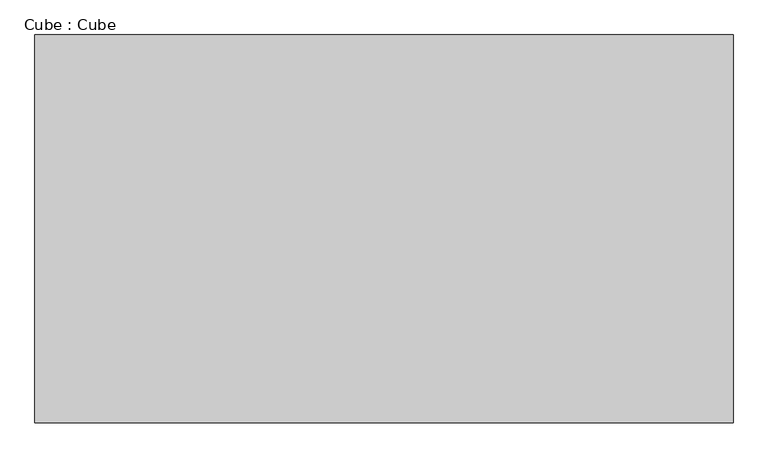
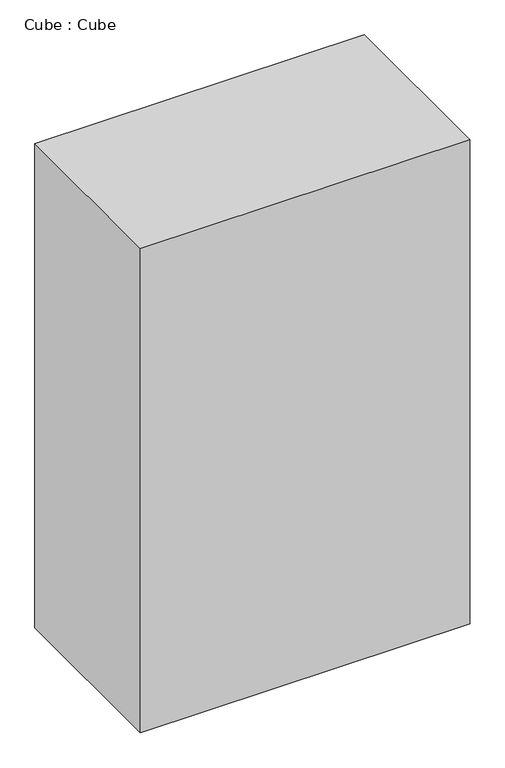
"""IFC4 building model written with IfcOpenShell, lengths in millimetres: proxy geometry, Cube : Cube."""

from ifc_helpers import new_model, si_unit, origin, origin_with_axes, place, context, project, spatial, polyline, outline, extrude, source, transform, mapped, element, save


def cube_cube_d68bf411(model_context):
    return source(origin(), model_context, "Body", "SweptSolid", [
        extrude(outline(polyline([(2250.0, 1250.0), (2250.0, -1250.0), (-2250.0, -1250.0), (-2250.0, 1250.0), (2250.0, 1250.0)])), origin_with_axes(), (0.0, 0.0, 1.0), 7000.0),
    ])


if __name__ == "__main__":
    model = new_model("IFC4")
    model_context = context("Model", 3, world=origin())
    ifc_project = project(units=[si_unit("LENGTHUNIT", "METRE", prefix="MILLI")], contexts=[model_context])
    site = spatial("IfcSite", under=ifc_project)
    building = spatial("IfcBuilding", under=site)
    placement = place(None, origin())
    cube_cube_shape = cube_cube_d68bf411(model_context)
    element("IfcBuildingElementProxy", 1, Name="Cube : Cube", ObjectType="Cube : Cube", at=placement, inside=building, context=model_context, shape_type="MappedRepresentation", body=[
        mapped(cube_cube_shape, transform((0.0, 0.0, 0.0), x_axis=(1.0, 0.0, 0.0), y_axis=(0.0, 1.0, 0.0), z_axis=(0.0, 0.0, 1.0))),
    ])
    save(model, "model.ifc")
